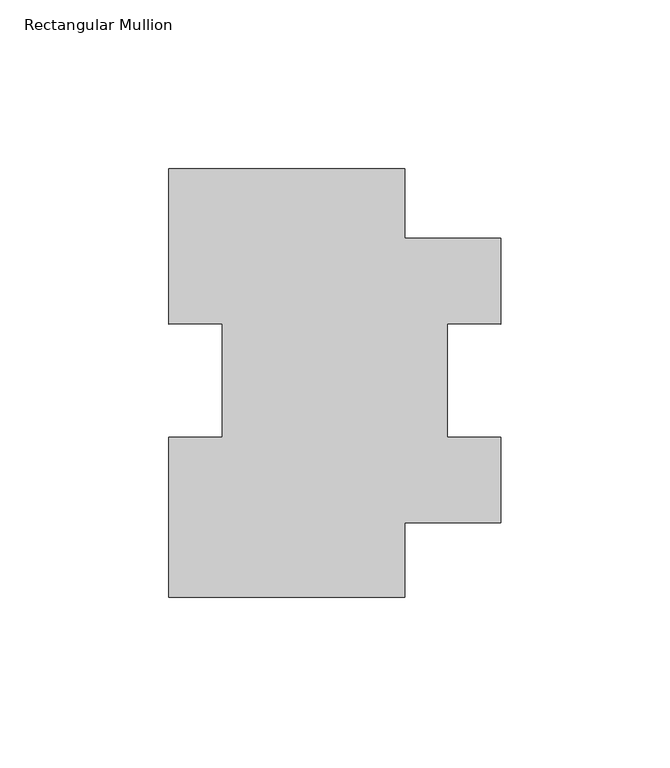
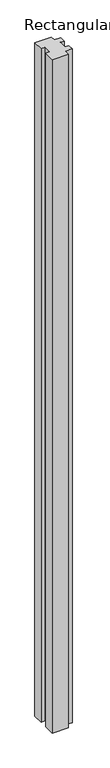
"""IFC4 building model written with IfcOpenShell, lengths in millimetres: member geometry, Rectangular Mullion."""

from ifc_helpers import new_model, si_unit, frame, origin, place, context, project, spatial, polyline, outline, extrude, source, transform, mapped, element, save


def rectangular_mullion_2da87b47(model_context):
    return source(origin(), model_context, "Body", "SweptSolid", [
        extrude(outline(polyline([(-28.5651246, 62.6981907), (-28.5651246, 42.14943), (0.0, 42.14943), (0.0, 16.5886929), (-15.875, 16.7827421), (-15.875, -16.8425811), (0.0, -16.8425811), (0.0, -42.17857), (-28.5651246, -42.17857), (-28.5651246, -64.3018093), (-98.4249767, -64.3018093), (-98.4249767, -16.8425811), (-82.5499767, -16.8425811), (-82.5499767, 16.7827421), (-98.4249767, 16.5886929), (-98.4249767, 62.6981907), (-28.5651246, 62.6981907)])), frame((0.0, 0.0, -3048.0), z_axis=(0.0, 0.0, 1.0), x_axis=(1.0, 0.0, 0.0)), (0.0, 0.0, 1.0), 3048.0),
    ])


if __name__ == "__main__":
    model = new_model("IFC4")
    model_context = context("Model", 3, world=origin())
    ifc_project = project(units=[si_unit("LENGTHUNIT", "METRE", prefix="MILLI")], contexts=[model_context])
    site = spatial("IfcSite", under=ifc_project)
    building = spatial("IfcBuilding", under=site)
    placement = place(None, origin())
    rectangular_mullion_shape = rectangular_mullion_2da87b47(model_context)
    element("IfcMember", 1, ObjectType="Rectangular Mullion", at=placement, inside=building, context=model_context, shape_type="MappedRepresentation", body=[
        mapped(rectangular_mullion_shape, transform((0.0, 0.0, 0.0), x_axis=(1.0, 0.0, 0.0), y_axis=(0.0, 1.0, 0.0), z_axis=(0.0, 0.0, 1.0))),
    ])
    save(model, "model.ifc")
